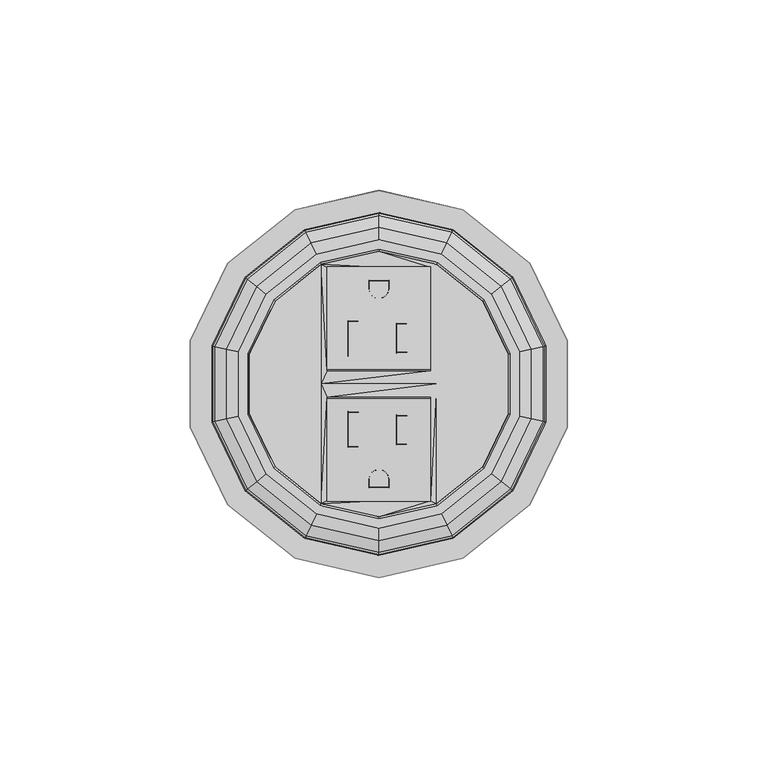
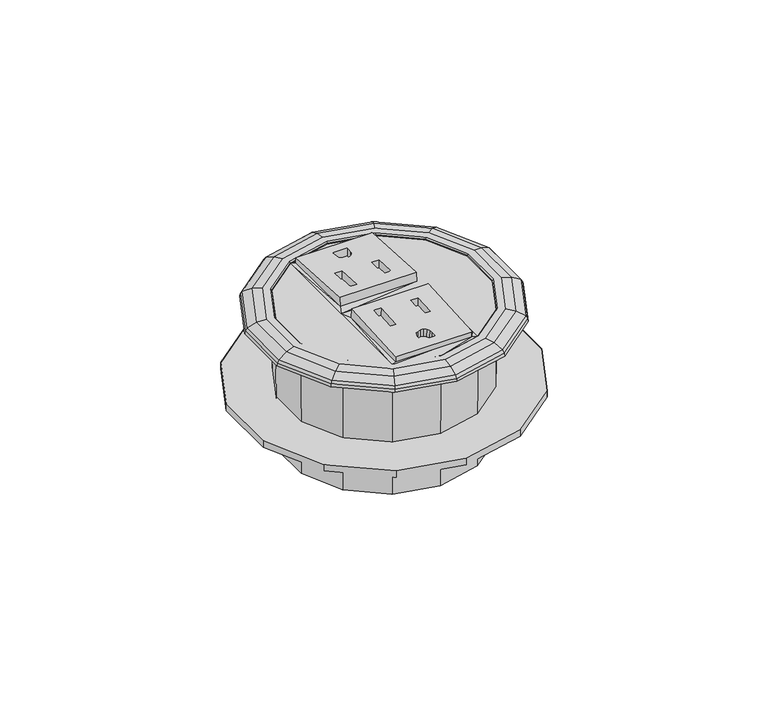
"""IFC4 building model written with IfcOpenShell, lengths in millimetres: furniture geometry."""

from ifc_helpers import new_model, si_unit, origin, place, context, project, spatial, triangles, source, transform, mapped, element, save


def furniture_4309fb0a(model_context):
    return source(origin(), model_context, "Body", "Tessellation", [
        triangles([(-5.3085405, -16.6169204, 6.2075159), (-2.4170266, -24.009665, 5.7606852), (-1.8499121, -23.1622036, 5.8076516), (0.0, -22.3967366, 5.8437391), (-1.0011652, -22.5958205, 5.8368161), (4.5973487, -15.9549116, 6.1993894), (1.0011652, -22.5952664, 5.8273656), (1.8499121, -23.1611817, 5.7901898), (7.4421171, -15.9541247, 6.185963), (2.4170266, -24.0083274, 5.7378703), (13.5888485, -30.8119751, 5.2971654), (2.6161708, -27.264465, 5.5461515), (2.6161708, -25.007735, 5.6783723), (-2.6161708, -27.2659116, 5.5708463), (-13.5888485, -30.818227, 5.4038575), (-2.6161708, -25.0091816, 5.703067), (-8.1533087, -16.6177061, 6.2209423), (-8.1533087, -7.3879348, 6.7617097), (-13.5888485, -3.6867543, 6.9934759), (-5.3085405, -7.3871479, 6.7482834), (13.5888485, -3.6805033, 6.8867838), (4.5973487, -8.2972435, 6.6480482), (7.4421171, -8.2964566, 6.6346218), (-8.1671154, -16.4468999, 3.305619), (-8.1671154, -7.2171274, 3.8463861), (-5.3223473, -7.2163405, 3.8329598), (-5.3223473, -16.446113, 3.2921926), (2.602364, -27.0936587, 2.6308282), (-2.6299775, -27.0951053, 2.6555233), (-2.6299775, -24.8383753, 2.7877437), (-2.4308334, -23.8388565, 2.8453617), (-1.8637187, -22.9913973, 2.8923283), (-1.0149719, -22.425012, 2.9214928), (-0.0138066, -22.2259303, 2.9284155), (0.9873586, -22.4244602, 2.9120423), (1.8361055, -22.9903754, 2.8748663), (2.4032199, -23.8375212, 2.8225467), (2.602364, -24.8369287, 2.7630487), (7.4283103, -8.1256498, 3.7192983), (7.4283103, -15.7833174, 3.2706398), (4.5835419, -15.7841042, 3.2840661), (4.5835419, -8.1264361, 3.7327249), (-13.6054377, -3.4906952, 3.5834613), (-13.6054377, -30.6959461, 3.5523972), (13.5722582, -3.483812, 3.4659804), (13.5722582, -30.6896942, 3.4457051), (-1.8499121, 23.1622036, 5.8076516), (-2.4170266, 24.009665, 5.7606852), (-5.3085405, 16.6169204, 6.2075159), (-1.0011652, 22.5958205, 5.8368161), (0.0, 22.3967366, 5.8437391), (1.0011652, 22.5952664, 5.8273656), (4.5973487, 15.9549116, 6.1993894), (7.4421171, 15.9541247, 6.185963), (1.8499121, 23.1611817, 5.7901898), (13.5888485, 30.8119751, 5.2971654), (2.4170266, 24.0083274, 5.7378703), (2.6161708, 25.007735, 5.6783723), (2.6161708, 27.264465, 5.5461515), (-13.5888485, 30.818227, 5.4038575), (-2.6161708, 27.2659116, 5.5708463), (-2.6161708, 25.0091816, 5.703067), (-8.1533087, 16.6177061, 6.2209423), (-13.5888485, 3.6867543, 6.9934759), (-8.1533087, 7.3879348, 6.7617097), (13.5888485, 3.6805033, 6.8867838), (-5.3085405, 7.3871479, 6.7482834), (7.4421171, 8.2964566, 6.6346218), (4.5973487, 8.2972435, 6.6480482), (-8.1671154, 7.2171274, 3.8463861), (-8.1671154, 16.4468999, 3.305619), (-5.3223473, 7.2163405, 3.8329598), (-5.3223473, 16.446113, 3.2921926), (-2.6299775, 27.0951053, 2.6555233), (2.602364, 27.0936587, 2.6308282), (-2.6299775, 24.8383753, 2.7877437), (-2.4308334, 23.8388565, 2.8453617), (-1.8637187, 22.9913973, 2.8923283), (-1.0149719, 22.425012, 2.9214928), (-0.0138066, 22.2259303, 2.9284155), (0.9873586, 22.4244602, 2.9120423), (1.8361055, 22.9903754, 2.8748663), (2.4032199, 23.8375212, 2.8225467), (2.602364, 24.8369287, 2.7630487), (7.4283103, 15.7833174, 3.2706398), (7.4283103, 8.1256498, 3.7192983), (4.5835419, 15.7841042, 3.2840661), (4.5835419, 8.1264361, 3.7327249), (-13.6054377, 30.7053751, 3.576072), (-13.6054377, 3.4845331, 3.5861632), (13.5722582, 3.4776499, 3.4686822), (13.5722582, 30.6991232, 3.4693802)], [[1, 2, 3], [4, 1, 3], [4, 3, 5], [6, 1, 4], [6, 4, 7], [7, 8, 9], [7, 9, 6], [8, 10, 11], [8, 11, 9], [11, 12, 13], [11, 13, 10], [12, 14, 15], [12, 15, 11], [16, 2, 15], [16, 15, 14], [1, 17, 15], [1, 15, 2], [17, 18, 19], [17, 19, 15], [18, 20, 21], [18, 21, 19], [22, 23, 21], [22, 21, 20], [6, 22, 20], [6, 20, 1], [9, 11, 21], [9, 21, 23], [17, 24, 25], [17, 25, 18], [18, 25, 26], [18, 26, 20], [20, 26, 27], [20, 27, 1], [1, 27, 17], [27, 24, 17], [12, 28, 29], [12, 29, 14], [14, 29, 30], [14, 30, 16], [16, 30, 31], [16, 31, 2], [2, 31, 32], [2, 32, 3], [3, 32, 33], [3, 33, 5], [5, 33, 34], [5, 34, 4], [4, 34, 35], [4, 35, 7], [7, 35, 36], [7, 36, 8], [8, 36, 37], [8, 37, 10], [10, 37, 38], [10, 38, 13], [13, 38, 28], [13, 28, 12], [23, 39, 9], [39, 40, 9], [9, 40, 41], [9, 41, 6], [6, 41, 42], [6, 42, 22], [22, 42, 23], [42, 39, 23], [19, 43, 44], [19, 44, 15], [21, 45, 43], [21, 43, 19], [11, 46, 45], [11, 45, 21], [15, 44, 46], [15, 46, 11], [47, 48, 49], [50, 47, 51], [47, 49, 51], [52, 51, 53], [51, 49, 53], [53, 54, 55], [53, 55, 52], [54, 56, 57], [54, 57, 55], [57, 58, 59], [57, 59, 56], [56, 60, 61], [56, 61, 59], [61, 60, 48], [61, 48, 62], [48, 60, 63], [48, 63, 49], [60, 64, 65], [60, 65, 63], [64, 66, 67], [64, 67, 65], [67, 66, 68], [67, 68, 69], [49, 67, 69], [49, 69, 53], [68, 66, 56], [68, 56, 54], [65, 70, 71], [65, 71, 63], [67, 72, 65], [72, 70, 65], [49, 73, 72], [49, 72, 67], [63, 71, 73], [63, 73, 49], [61, 74, 75], [61, 75, 59], [62, 76, 74], [62, 74, 61], [48, 77, 76], [48, 76, 62], [47, 78, 77], [47, 77, 48], [50, 79, 78], [50, 78, 47], [51, 80, 79], [51, 79, 50], [52, 81, 80], [52, 80, 51], [55, 82, 81], [55, 81, 52], [57, 83, 82], [57, 82, 55], [58, 84, 83], [58, 83, 57], [59, 75, 84], [59, 84, 58], [54, 85, 86], [54, 86, 68], [53, 87, 54], [87, 85, 54], [69, 88, 53], [88, 87, 53], [68, 86, 88], [68, 88, 69], [60, 89, 90], [60, 90, 64], [64, 90, 91], [64, 91, 66], [66, 91, 92], [66, 92, 56], [56, 92, 89], [56, 89, 60], [25, 26, 27], [25, 27, 24], [42, 39, 40], [42, 40, 41], [29, 30, 38], [29, 38, 28], [30, 31, 37], [30, 37, 38], [37, 31, 32], [37, 32, 36], [32, 33, 35], [32, 35, 36], [33, 34, 35], [70, 71, 73], [70, 73, 72], [88, 87, 85], [88, 85, 86], [74, 75, 84], [74, 84, 76], [76, 84, 83], [76, 83, 77], [77, 83, 82], [77, 82, 78], [78, 82, 81], [78, 81, 79], [79, 81, 80]], closed=False),
        triangles([(0.0, 34.9078802, 3.4721289), (0.0, 34.7866303, -45.3135995), (-15.0933533, 31.3416712, -45.3135995), (-15.1459607, 31.4509123, 3.4721289), (-27.1972816, 21.6891081, -45.3135995), (-27.2920796, 21.7647076, 3.4721289), (-33.9144565, 7.7407532, -45.3135995), (-34.0326656, 7.7677336, 3.4721289), (-33.9144565, -7.7407532, -45.3135995), (-34.0326656, -7.7677336, 3.4721289), (-27.1972816, -21.6891081, -45.3135995), (-27.2920796, -21.7647076, 3.4721289), (-15.0933533, -31.3416712, -45.3135995), (-15.1459607, -31.4509123, 3.4721289), (0.0, -34.7866303, -45.3135995), (0.0, -34.9078802, 3.4721289), (15.0933533, -31.3416712, -45.3135995), (15.1459607, -31.4509123, 3.4721289), (27.1972816, -21.6891081, -45.3135995), (27.2920796, -21.7647076, 3.4721289), (33.9144565, -7.7407532, -45.3135995), (34.0326656, -7.7677336, 3.4721289), (33.9144565, 7.7407532, -45.3135995), (34.0326656, 7.7677336, 3.4721289), (27.1972816, 21.6891081, -45.3135995), (27.2920796, 21.7647076, 3.4721289), (15.0933533, 31.3416712, -45.3135995), (15.1459607, 31.4509123, 3.4721289), (0.0, 44.794377, 0.9999664), (0.0, 44.9707016, 0.0), (-19.5120562, 40.5171989, 0.0), (-19.4355529, 40.3583423, 0.9999664), (-35.1595091, 28.0387727, 0.0), (-35.0216564, 27.928839, 0.9999664), (-43.8431905, 10.0069223, 0.0), (-43.6712897, 9.9676874, 0.9999664), (-43.8431905, -10.0069223, 0.0), (-43.6712897, -9.9676874, 0.9999664), (-35.1595091, -28.0387727, 0.0), (-35.0216564, -27.928839, 0.9999664), (-19.5120562, -40.5171989, 0.0), (-19.4355529, -40.3583423, 0.9999664), (0.0, -44.9707016, 0.0), (0.0, -44.794377, 0.9999664), (19.5120562, -40.5171989, 0.0), (19.4355529, -40.3583423, 0.9999664), (35.1595091, -28.0387727, 0.0), (35.0216564, -27.928839, 0.9999664), (43.8431905, -10.0069223, 0.0), (43.6712897, -9.9676874, 0.9999664), (43.8431905, 10.0069223, 0.0), (43.6712897, 9.9676874, 0.9999664), (35.1595091, 28.0387727, 0.0), (35.0216564, 27.928839, 0.9999664), (19.5120562, 40.5171989, 0.0), (19.4355529, 40.3583423, 0.9999664), (0.0, 35.4155708, 3.9624001), (0.0, 37.8343526, 3.9624001), (-16.4157108, 34.0875746, 3.9624001), (-15.3662393, 31.9083267, 3.9624001), (-29.5800872, 23.5893328, 3.9624001), (-27.6890076, 22.0812467, 3.9624001), (-36.8857663, 8.4189356, 3.9624001), (-34.5276277, 7.8807059, 3.9624001), (-36.8857663, -8.4189356, 3.9624001), (-34.5276277, -7.8807059, 3.9624001), (-29.5800872, -23.5893328, 3.9624001), (-27.6890076, -22.0812467, 3.9624001), (-16.4157108, -34.0875746, 3.9624001), (-15.3662393, -31.9083267, 3.9624001), (0.0, -37.8343526, 3.9624001), (0.0, -35.4155708, 3.9624001), (16.4157108, -34.0875746, 3.9624001), (15.3662393, -31.9083267, 3.9624001), (29.5800872, -23.5893328, 3.9624001), (27.6890076, -22.0812467, 3.9624001), (36.8857663, -8.4189356, 3.9624001), (34.5276277, -7.8807059, 3.9624001), (36.8857663, 8.4189356, 3.9624001), (34.5276277, 7.8807059, 3.9624001), (29.5800872, 23.5893328, 3.9624001), (27.6890076, 22.0812467, 3.9624001), (16.4157108, 34.0875746, 3.9624001), (15.3662393, 31.9083267, 3.9624001), (19.1603357, -39.7868474, 1.9889974), (0.0, -44.160068, 1.9889974), (0.0, -41.1475474, 3.4575966), (17.8532514, -37.0726576, 3.4575966), (34.5257314, -27.533353, 1.9889974), (32.1704473, -25.6550747, 3.4575966), (43.0528817, -9.8265396, 1.9889974), (40.1158926, -9.1561902, 3.4575966), (43.0528817, 9.8265396, 1.9889974), (40.1158926, 9.1561902, 3.4575966), (34.5257314, 27.533353, 1.9889974), (32.1704473, 25.6550747, 3.4575966), (19.1603357, 39.7868474, 1.9889974), (17.8532514, 37.0726576, 3.4575966), (0.0, 44.160068, 1.9889974), (0.0, 41.1475474, 3.4575966), (-19.1603357, 39.7868474, 1.9889974), (-17.8532514, 37.0726576, 3.4575966), (-34.5257314, 27.533353, 1.9889974), (-32.1704473, 25.6550747, 3.4575966), (-43.0528817, 9.8265396, 1.9889974), (-40.1158926, 9.1561902, 3.4575966), (-43.0528817, -9.8265396, 1.9889974), (-40.1158926, -9.1561902, 3.4575966), (-34.5257314, -27.533353, 1.9889974), (-32.1704473, -25.6550747, 3.4575966), (-19.1603357, -39.7868474, 1.9889974), (-17.8532514, -37.0726576, 3.4575966), (0.0, 50.8000015, -25.4000008), (0.0, 50.8000015, -27.8130007), (-22.0412941, 45.7692176, -27.8130007), (-22.0412941, 45.7692176, -25.4000008), (-39.7170388, 31.6732825, -27.8130007), (-39.7170388, 31.6732825, -25.4000008), (-49.5263374, 11.3040634, -27.8130007), (-49.5263374, 11.3040634, -25.4000008), (-49.5263374, -11.3040634, -27.8130007), (-49.5263374, -11.3040634, -25.4000008), (-39.7170388, -31.6732825, -27.8130007), (-39.7170388, -31.6732825, -25.4000008), (-22.0412941, -45.7692176, -27.8130007), (-22.0412941, -45.7692176, -25.4000008), (0.0, -50.8000015, -27.8130007), (0.0, -50.8000015, -25.4000008), (22.0412941, -45.7692176, -27.8130007), (22.0412941, -45.7692176, -25.4000008), (39.7170388, -31.6732825, -27.8130007), (39.7170388, -31.6732825, -25.4000008), (49.5263374, -11.3040634, -27.8130007), (49.5263374, -11.3040634, -25.4000008), (49.5263374, 11.3040634, -27.8130007), (49.5263374, 11.3040634, -25.4000008), (39.7170388, 31.6732825, -27.8130007), (39.7170388, 31.6732825, -25.4000008), (22.0412941, 45.7692176, -27.8130007), (22.0412941, 45.7692176, -25.4000008), (-27.2920796, -21.7647076, -27.8130007), (-34.0326656, -7.7677336, -27.8130007), (-34.0326656, 7.7677336, -27.8130007), (-27.2920796, 21.7647076, -27.8130007), (-15.1459607, 31.4509123, -27.8130007), (0.0, 34.9078802, -27.8130007), (15.1459607, 31.4509123, -27.8130007), (27.2920796, 21.7647076, -27.8130007), (34.0326656, 7.7677336, -27.8130007), (34.0326656, -7.7677336, -27.8130007), (27.2920796, -21.7647076, -27.8130007), (15.1459607, -31.4509123, -27.8130007), (0.0, -34.9078802, -27.8130007), (-15.1459607, -31.4509123, -27.8130007), (-27.2920796, -21.7647076, -25.4000008), (-34.0326656, -7.7677336, -25.4000008), (-34.0326656, 7.7677336, -25.4000008), (-27.2920796, 21.7647076, -25.4000008), (-15.1459607, 31.4509123, -25.4000008), (0.0, 34.9078802, -25.4000008), (15.1459607, 31.4509123, -25.4000008), (27.2920796, 21.7647076, -25.4000008), (34.0326656, 7.7677336, -25.4000008), (34.0326656, -7.7677336, -25.4000008), (27.2920796, -21.7647076, -25.4000008), (15.1459607, -31.4509123, -25.4000008), (0.0, -34.9078802, -25.4000008), (-15.1459607, -31.4509123, -25.4000008), (0.0, 34.9078802, 0.0), (-15.1459607, 31.4509123, 0.0), (15.1459607, 31.4509123, 0.0), (27.2920796, 21.7647076, 0.0), (34.0326656, 7.7677336, 0.0), (34.0326656, -7.7677336, 0.0), (27.2920796, -21.7647076, 0.0), (15.1459607, -31.4509123, 0.0), (0.0, -34.9078802, 0.0), (-15.1459607, -31.4509123, 0.0), (-27.2920796, -21.7647076, 0.0), (-34.0326656, -7.7677336, 0.0), (-34.0326656, 7.7677336, 0.0), (-27.2920796, 21.7647076, 0.0), (13.5722582, 30.6991232, 3.4693802), (-0.0165901, 30.702248, 3.522726), (-13.6054377, 30.7053751, 3.576072), (13.5722582, 3.4776499, 3.4686822), (15.1459607, 0.0, 3.4721289), (13.5722582, -3.483812, 3.4659804), (13.5722582, -30.6896942, 3.4457051), (-0.0165901, -30.6928213, 3.4990512), (-13.6054377, -30.6959461, 3.5523972), (-13.6054377, -3.4906952, 3.5834613), (-15.1459607, 0.0, 3.4721289), (-13.6054377, 3.4845331, 3.5861632)], [[1, 2, 3], [1, 3, 4], [4, 3, 5], [4, 5, 6], [6, 5, 7], [6, 7, 8], [8, 7, 9], [8, 9, 10], [10, 9, 11], [10, 11, 12], [12, 11, 13], [12, 13, 14], [14, 13, 15], [14, 15, 16], [16, 15, 17], [16, 17, 18], [18, 17, 19], [18, 19, 20], [20, 19, 21], [20, 21, 22], [22, 21, 23], [22, 23, 24], [24, 23, 25], [24, 25, 26], [26, 25, 27], [26, 27, 28], [28, 27, 2], [28, 2, 1], [29, 30, 31], [29, 31, 32], [32, 31, 33], [32, 33, 34], [34, 33, 35], [34, 35, 36], [36, 35, 37], [36, 37, 38], [38, 37, 39], [38, 39, 40], [40, 39, 41], [40, 41, 42], [42, 41, 43], [42, 43, 44], [44, 43, 45], [44, 45, 46], [46, 45, 47], [46, 47, 48], [48, 47, 49], [48, 49, 50], [50, 49, 51], [50, 51, 52], [52, 51, 53], [52, 53, 54], [54, 53, 55], [54, 55, 56], [56, 55, 30], [56, 30, 29], [57, 58, 59], [57, 59, 60], [60, 59, 61], [60, 61, 62], [62, 61, 63], [62, 63, 64], [64, 63, 65], [64, 65, 66], [66, 65, 67], [66, 67, 68], [68, 67, 69], [68, 69, 70], [70, 69, 71], [70, 71, 72], [72, 71, 73], [72, 73, 74], [74, 73, 75], [74, 75, 76], [76, 75, 77], [76, 77, 78], [78, 77, 79], [78, 79, 80], [80, 79, 81], [80, 81, 82], [82, 81, 83], [82, 83, 84], [84, 83, 58], [84, 58, 57], [66, 10, 8], [66, 8, 64], [64, 8, 6], [64, 6, 62], [62, 6, 4], [62, 4, 60], [60, 4, 1], [60, 1, 57], [57, 1, 28], [57, 28, 84], [84, 28, 26], [84, 26, 82], [82, 26, 24], [82, 24, 80], [80, 24, 22], [80, 22, 78], [78, 22, 20], [78, 20, 76], [76, 20, 18], [76, 18, 74], [74, 18, 16], [74, 16, 72], [72, 16, 14], [72, 14, 70], [70, 14, 12], [70, 12, 68], [68, 12, 10], [68, 10, 66], [85, 86, 87], [85, 87, 88], [88, 87, 71], [88, 71, 73], [86, 44, 46], [86, 46, 85], [89, 85, 88], [89, 88, 90], [90, 88, 73], [90, 73, 75], [85, 46, 48], [85, 48, 89], [91, 89, 90], [91, 90, 92], [92, 90, 75], [92, 75, 77], [89, 48, 50], [89, 50, 91], [93, 91, 92], [93, 92, 94], [94, 92, 77], [94, 77, 79], [91, 50, 52], [91, 52, 93], [95, 93, 94], [95, 94, 96], [96, 94, 79], [96, 79, 81], [93, 52, 54], [93, 54, 95], [97, 95, 96], [97, 96, 98], [98, 96, 81], [98, 81, 83], [95, 54, 56], [95, 56, 97], [99, 97, 98], [99, 98, 100], [100, 98, 83], [100, 83, 58], [97, 56, 29], [97, 29, 99], [101, 99, 100], [101, 100, 102], [102, 100, 58], [102, 58, 59], [99, 29, 32], [99, 32, 101], [103, 101, 102], [103, 102, 104], [104, 102, 59], [104, 59, 61], [101, 32, 34], [101, 34, 103], [105, 103, 104], [105, 104, 106], [106, 104, 61], [106, 61, 63], [103, 34, 36], [103, 36, 105], [107, 105, 106], [107, 106, 108], [108, 106, 63], [108, 63, 65], [105, 36, 38], [105, 38, 107], [109, 107, 108], [109, 108, 110], [110, 108, 65], [110, 65, 67], [107, 38, 40], [107, 40, 109], [111, 109, 110], [111, 110, 112], [112, 110, 67], [112, 67, 69], [109, 40, 42], [109, 42, 111], [86, 111, 112], [86, 112, 87], [87, 112, 69], [87, 69, 71], [111, 42, 44], [111, 44, 86], [2, 15, 17], [2, 17, 27], [17, 19, 27], [19, 25, 27], [25, 19, 21], [25, 21, 23], [2, 3, 13], [2, 13, 15], [3, 5, 13], [5, 11, 13], [11, 5, 7], [11, 7, 9], [18, 20, 28], [20, 26, 28], [26, 20, 22], [26, 22, 24], [4, 6, 14], [6, 12, 14], [12, 6, 8], [12, 8, 10], [113, 114, 115], [113, 115, 116], [116, 115, 117], [116, 117, 118], [118, 117, 119], [118, 119, 120], [120, 119, 121], [120, 121, 122], [122, 121, 123], [122, 123, 124], [124, 123, 125], [124, 125, 126], [126, 125, 127], [126, 127, 128], [128, 127, 129], [128, 129, 130], [130, 129, 131], [130, 131, 132], [132, 131, 133], [132, 133, 134], [134, 133, 135], [134, 135, 136], [136, 135, 137], [136, 137, 138], [138, 137, 139], [138, 139, 140], [140, 139, 114], [140, 114, 113], [123, 141, 142], [123, 142, 121], [121, 142, 143], [121, 143, 119], [119, 143, 144], [119, 144, 117], [117, 144, 145], [117, 145, 115], [115, 145, 146], [115, 146, 114], [114, 146, 147], [114, 147, 139], [139, 147, 148], [139, 148, 137], [137, 148, 149], [137, 149, 135], [135, 149, 150], [135, 150, 133], [133, 150, 151], [133, 151, 131], [131, 151, 152], [131, 152, 129], [129, 152, 153], [129, 153, 127], [127, 153, 154], [127, 154, 125], [125, 154, 141], [125, 141, 123], [124, 155, 156], [124, 156, 122], [122, 156, 157], [122, 157, 120], [120, 157, 158], [120, 158, 118], [118, 158, 159], [118, 159, 116], [116, 159, 160], [116, 160, 113], [113, 160, 161], [113, 161, 140], [140, 161, 162], [140, 162, 138], [138, 162, 163], [138, 163, 136], [136, 163, 164], [136, 164, 134], [134, 164, 165], [134, 165, 132], [132, 165, 166], [132, 166, 130], [130, 166, 167], [130, 167, 128], [128, 167, 168], [128, 168, 126], [126, 168, 155], [126, 155, 124], [31, 30, 169], [31, 169, 170], [30, 55, 171], [30, 171, 169], [55, 53, 172], [55, 172, 171], [53, 51, 173], [53, 173, 172], [51, 49, 174], [51, 174, 173], [49, 47, 175], [49, 175, 174], [47, 45, 176], [47, 176, 175], [45, 43, 177], [45, 177, 176], [43, 177, 178], [43, 178, 41], [41, 178, 179], [41, 179, 39], [39, 179, 180], [39, 180, 37], [37, 180, 181], [37, 181, 35], [35, 181, 182], [35, 182, 33], [33, 182, 170], [33, 170, 31], [183, 28, 1], [183, 1, 184], [184, 1, 4], [184, 4, 185], [28, 183, 186], [28, 186, 187], [187, 188, 189], [187, 189, 18], [189, 190, 16], [189, 16, 18], [190, 191, 14], [190, 14, 16], [14, 191, 192], [14, 192, 193], [194, 185, 4], [194, 4, 193], [192, 188, 187], [192, 187, 193], [193, 187, 186], [193, 186, 194]], closed=False),
    ])


if __name__ == "__main__":
    model = new_model("IFC4")
    model_context = context("Model", 3, world=origin())
    ifc_project = project(units=[si_unit("LENGTHUNIT", "METRE", prefix="MILLI")], contexts=[model_context])
    site = spatial("IfcSite", under=ifc_project)
    building = spatial("IfcBuilding", under=site)
    placement = place(None, origin())
    furniture_shape = furniture_4309fb0a(model_context)
    element("IfcFurniture", 1, at=placement, inside=building, context=model_context, shape_type="MappedRepresentation", body=[
        mapped(furniture_shape, transform((0.0, 0.0, 0.0), x_axis=(1.0, 0.0, 0.0), y_axis=(0.0, 1.0, 0.0), z_axis=(0.0, 0.0, 1.0))),
    ])
    save(model, "model.ifc")
